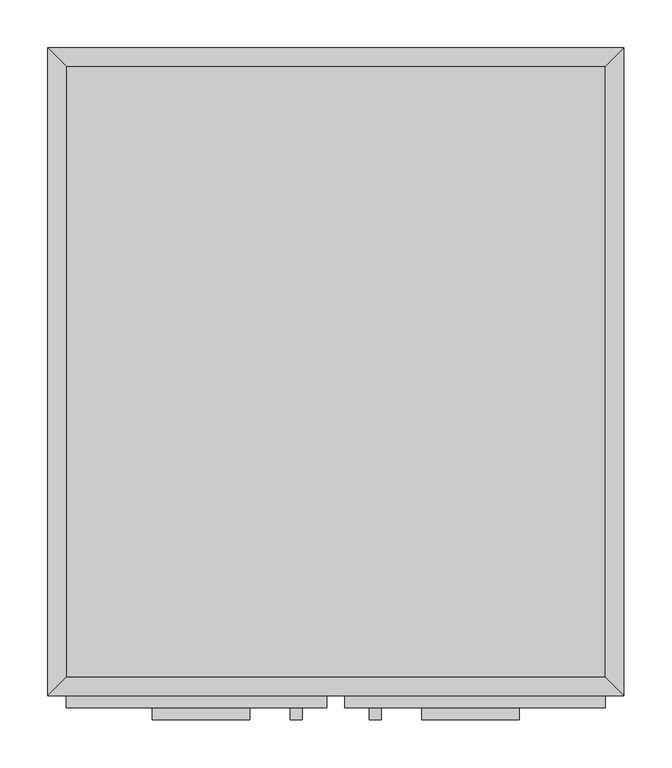
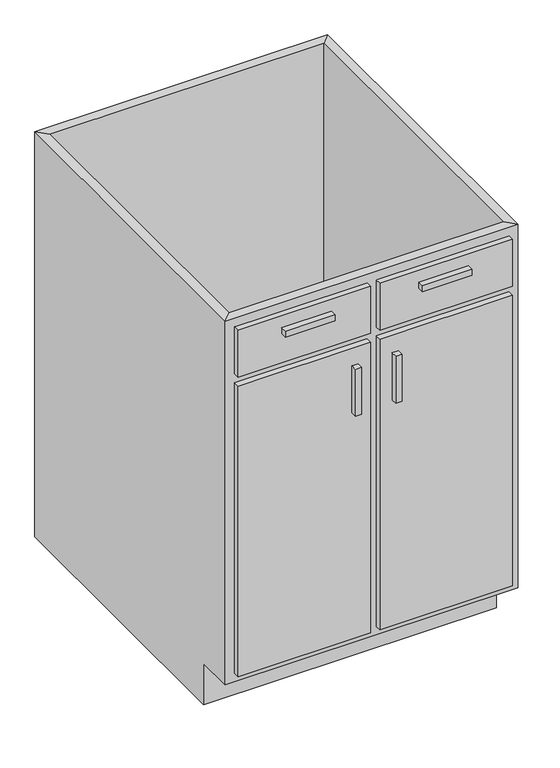
"""IFC4 building model written with IfcOpenShell, lengths in millimetres: furniture geometry."""

from ifc_helpers import new_model, si_unit, frame, origin, place, context, project, spatial, polyline, outline, extrude, faceted_brep, source, transform, mapped, element, save


def furniture_bebdde81(model_context):
    return source(origin(), model_context, "Body", "SolidModel", [
        faceted_brep([(299.6877049, -655.95, 876.3), (299.6877049, -655.95, 88.9), (-262.2122951, -655.95, 88.9), (-262.2122951, -655.95, 876.3), (-281.2622951, -675.0, 876.3), (318.7377049, -675.0, 876.3), (-281.2622951, -675.0, 88.9), (318.7377049, -675.0, 88.9), (-262.2122951, -598.8, 88.9), (-262.2122951, -19.05, 88.9), (-262.2122951, -19.05, 876.3), (-281.2622951, 0.0, 876.3), (-281.2622951, 0.0, 0.0), (-281.2622951, -598.8, 0.0), (-281.2622951, -598.8, 88.9), (299.6877049, -19.05, 88.9), (299.6877049, -19.05, 876.3), (318.7377049, 0.0, 876.3), (318.7377049, 0.0, 0.0), (299.6877049, -598.8, 88.9), (318.7377049, -598.8, 88.9), (318.7377049, -598.8, 0.0)], [[[0, 1, 2, 3]], [[0, 3, 4, 5]], [[5, 4, 6, 7]], [[2, 1, 7, 6]], [[3, 2, 8, 9, 10]], [[4, 3, 10, 11]], [[6, 4, 11, 12, 13, 14]], [[2, 6, 14, 8]], [[10, 9, 15, 16]], [[11, 10, 16, 17]], [[12, 11, 17, 18]], [[1, 0, 16, 15, 19]], [[0, 5, 17, 16]], [[5, 7, 20, 21, 18, 17]], [[7, 1, 19, 20]], [[8, 19, 15, 9]], [[18, 21, 13, 12]], [[13, 21, 20, 19, 8, 14]]]),
        extrude(outline(polyline([(-70.9372951, -700.4), (-172.5372951, -700.4), (-172.5372951, -687.7), (-70.9372951, -687.7), (-70.9372951, -700.4)])), frame((0.0, 0.0, 819.15), z_axis=(0.0, 0.0, 1.0), x_axis=(1.0, 0.0, 0.0)), (0.0, 0.0, 1.0), 12.7),
        extrude(outline(polyline([(210.0127049, -700.4), (108.4127049, -700.4), (108.4127049, -687.7), (210.0127049, -687.7), (210.0127049, -700.4)])), frame((0.0, 0.0, 819.15), z_axis=(0.0, 0.0, 1.0), x_axis=(1.0, 0.0, 0.0)), (0.0, 0.0, 1.0), 12.7),
        extrude(outline(polyline([(-16.1872951, -700.4), (-28.8872951, -700.4), (-28.8872951, -687.7), (-16.1872951, -687.7), (-16.1872951, -700.4)])), frame((0.0, 0.0, 596.9), z_axis=(0.0, 0.0, 1.0), x_axis=(1.0, 0.0, 0.0)), (0.0, 0.0, 1.0), 101.6),
        extrude(outline(polyline([(66.3627049, -700.4), (53.6627049, -700.4), (53.6627049, -687.7), (66.3627049, -687.7), (66.3627049, -700.4)])), frame((0.0, 0.0, 596.9), z_axis=(0.0, 0.0, 1.0), x_axis=(1.0, 0.0, 0.0)), (0.0, 0.0, 1.0), 101.6),
        extrude(outline(polyline([(299.6877049, -19.05), (299.6877049, -655.95), (-262.2122951, -655.95), (-262.2122951, -19.05), (299.6877049, -19.05)])), frame((0.0, 0.0, 88.9), z_axis=(0.0, 0.0, 1.0), x_axis=(1.0, 0.0, 0.0)), (0.0, 0.0, 1.0), 19.05),
        extrude(outline(polyline([(9.2127049, -687.7), (-262.2122951, -687.7), (-262.2122951, -675.0), (9.2127049, -675.0), (9.2127049, -687.7)])), frame((0.0, 0.0, 755.65), z_axis=(0.0, 0.0, 1.0), x_axis=(1.0, 0.0, 0.0)), (0.0, 0.0, 1.0), 101.6),
        extrude(outline(polyline([(299.6877049, -687.7), (28.2627049, -687.7), (28.2627049, -675.0), (299.6877049, -675.0), (299.6877049, -687.7)])), frame((0.0, 0.0, 755.65), z_axis=(0.0, 0.0, 1.0), x_axis=(1.0, 0.0, 0.0)), (0.0, 0.0, 1.0), 101.6),
        extrude(outline(polyline([(9.2127049, -687.7), (-262.2122951, -687.7), (-262.2122951, -675.0), (9.2127049, -675.0), (9.2127049, -687.7)])), frame((0.0, 0.0, 107.95), z_axis=(0.0, 0.0, 1.0), x_axis=(1.0, 0.0, 0.0)), (0.0, 0.0, 1.0), 628.65),
        extrude(outline(polyline([(299.6877049, -687.7), (28.2627049, -687.7), (28.2627049, -675.0), (299.6877049, -675.0), (299.6877049, -687.7)])), frame((0.0, 0.0, 107.95), z_axis=(0.0, 0.0, 1.0), x_axis=(1.0, 0.0, 0.0)), (0.0, 0.0, 1.0), 628.65),
    ])


if __name__ == "__main__":
    model = new_model("IFC4")
    model_context = context("Model", 3, world=origin())
    ifc_project = project(units=[si_unit("LENGTHUNIT", "METRE", prefix="MILLI")], contexts=[model_context])
    site = spatial("IfcSite", under=ifc_project)
    building = spatial("IfcBuilding", under=site)
    placement = place(None, origin())
    furniture_shape = furniture_bebdde81(model_context)
    element("IfcFurniture", 1, at=placement, inside=building, context=model_context, shape_type="MappedRepresentation", body=[
        mapped(furniture_shape, transform((0.0, 0.0, 0.0), x_axis=(1.0, 0.0, 0.0), y_axis=(0.0, 1.0, 0.0), z_axis=(0.0, 0.0, 1.0))),
    ])
    save(model, "model.ifc")
